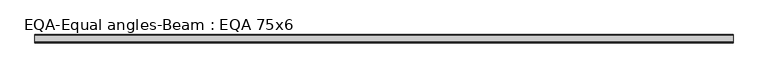
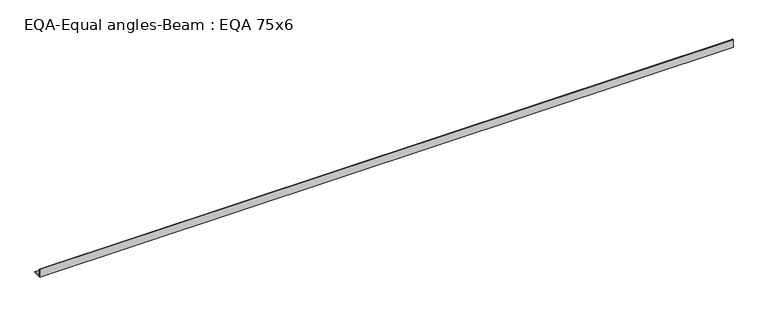
"""IFC4 building model written with IfcOpenShell, lengths in millimetres: beam geometry, EQA-Equal angles-Beam : EQA 75x6."""

from ifc_helpers import new_model, si_unit, point, frame, frame_2d, origin, place, context, project, spatial, polyline, circle_curve, trimmed, segment, composite_curve, outline, extrude, source, transform, mapped, element, save


def eqa_equal_angles_beam_eqa_75x6_96f97971(model_context):
    return source(origin(), model_context, "Body", "SweptSolid", [
        extrude(outline(composite_curve([segment(polyline([(-20.5, -20.5), (-20.5, 54.5), (-19.0, 54.5)]), True, "CONTINUOUS"), segment(trimmed(circle_curve(frame_2d((-19.0, 50.0)), 4.5), [point((-19.0, 54.5))], [point((-14.5, 50.0))], False, "CARTESIAN"), True, "CONTINUOUS"), segment(polyline([(-14.5, 50.0), (-14.5, -5.5)]), True, "CONTINUOUS"), segment(trimmed(circle_curve(frame_2d((-5.5, -5.5)), 9.0), [point((-14.5, -5.5))], [point((-5.5, -14.5))], True, "CARTESIAN"), True, "CONTINUOUS"), segment(polyline([(-5.5, -14.5), (50.0, -14.5)]), True, "CONTINUOUS"), segment(trimmed(circle_curve(frame_2d((50.0, -19.0)), 4.5), [point((50.0, -14.5))], [point((54.5, -19.0))], False, "CARTESIAN"), True, "CONTINUOUS"), segment(polyline([(54.5, -19.0), (54.5, -20.5), (-20.5, -20.5)]), True, "CONTINUOUS")], self_intersect=False)), frame((-3225.3680386, 0.0, 0.0), z_axis=(1.0, 0.0, 0.0), x_axis=(0.0, 1.0, 0.0)), (0.0, 0.0, 1.0), 6314.5642247),
    ])


if __name__ == "__main__":
    model = new_model("IFC4")
    model_context = context("Model", 3, world=origin())
    ifc_project = project(units=[si_unit("LENGTHUNIT", "METRE", prefix="MILLI")], contexts=[model_context])
    site = spatial("IfcSite", under=ifc_project)
    building = spatial("IfcBuilding", under=site)
    placement = place(None, origin())
    eqa_equal_angles_beam_eqa_75x6_shape = eqa_equal_angles_beam_eqa_75x6_96f97971(model_context)
    element("IfcBeam", 1, ObjectType="EQA-Equal angles-Beam : EQA 75x6", at=placement, inside=building, context=model_context, shape_type="MappedRepresentation", body=[
        mapped(eqa_equal_angles_beam_eqa_75x6_shape, transform((0.0, 0.0, 0.0), x_axis=(1.0, 0.0, 0.0), y_axis=(0.0, 1.0, 0.0), z_axis=(0.0, 0.0, 1.0))),
    ])
    save(model, "model.ifc")
